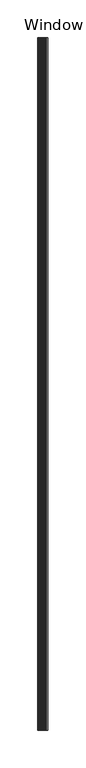
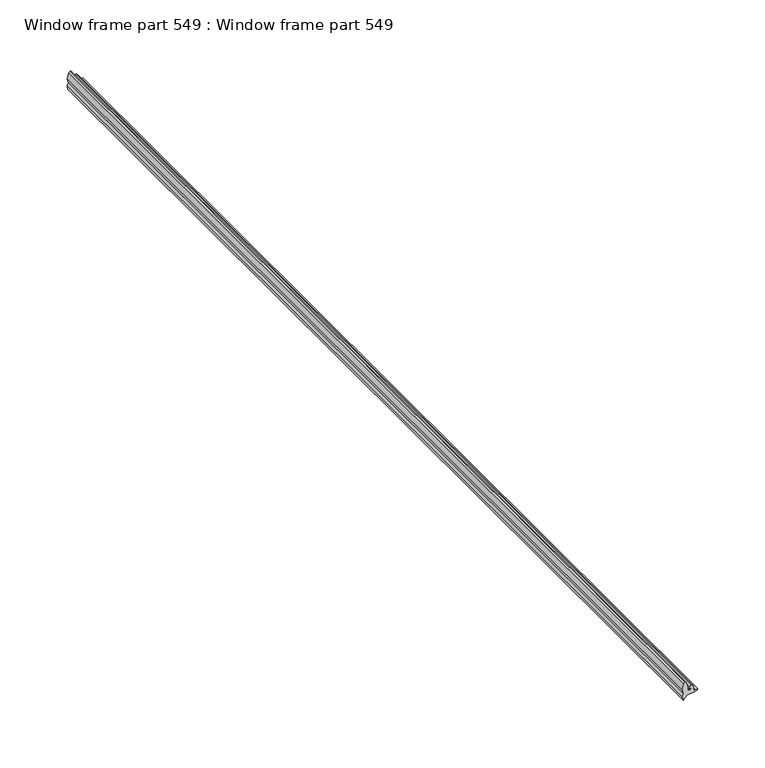
"""IFC4 building model written with IfcOpenShell, lengths in millimetres: proxy geometry, Window frame part 549 : Window frame part 549."""

from ifc_helpers import new_model, si_unit, frame, origin, place, context, project, spatial, polyline, outline, extrude, source, transform, mapped, element, save


def window_frame_part_549_window_frame_part_549_f3ad4b2e(model_context):
    return source(origin(), model_context, "Body", "SweptSolid", [
        extrude(outline(polyline([(2901.8742783, 37623.8702447), (2901.9980855, 37622.3221998), (2904.8456516, 37622.1364343), (2906.0837238, 37621.888747), (2907.7303326, 37620.4856683), (2906.3932418, 37618.9165007), (2905.8361093, 37619.7214841), (2904.9075552, 37618.8545791), (2904.783748, 37619.8453277), (2903.4218685, 37619.2880316), (2903.4218685, 37617.4250239), (2905.8527199, 37617.4250239), (2908.2849885, 37617.0699045), (2911.1339242, 37616.060394), (2911.5422582, 37615.0745886), (2910.6435729, 37613.7714577), (2905.8527199, 37612.6936732), (2902.3917055, 37613.3280259), (2906.4103802, 37614.9664942), (2901.9989933, 37614.0870146), (2899.3482254, 37612.6936732), (2895.7673774, 37613.3122788), (2899.2508173, 37616.6320178), (2899.8893264, 37619.0149663), (2900.1348518, 37622.6693552), (2901.1623577, 37625.5330384), (2901.95, 37625.7893384), (2901.8742783, 37623.8702447)])), frame((0.0, -19576.8264269, 0.0), z_axis=(0.0, 1.0, 0.0), x_axis=(0.0, 0.0, 1.0)), (0.0, 0.0, 1.0), 914.4),
    ])


if __name__ == "__main__":
    model = new_model("IFC4")
    model_context = context("Model", 3, world=origin())
    ifc_project = project(units=[si_unit("LENGTHUNIT", "METRE", prefix="MILLI")], contexts=[model_context])
    site = spatial("IfcSite", under=ifc_project)
    building = spatial("IfcBuilding", under=site)
    placement = place(None, origin())
    window_frame_part_549_window_frame_part_549_shape = window_frame_part_549_window_frame_part_549_f3ad4b2e(model_context)
    element("IfcBuildingElementProxy", 1, Name="Window frame part 549 : Window frame part 549", ObjectType="Window frame part 549 : Window frame part 549", at=placement, inside=building, context=model_context, shape_type="MappedRepresentation", body=[
        mapped(window_frame_part_549_window_frame_part_549_shape, transform((0.0, 0.0, 0.0), x_axis=(1.0, 0.0, 0.0), y_axis=(0.0, 1.0, 0.0), z_axis=(0.0, 0.0, 1.0))),
    ])
    save(model, "model.ifc")
